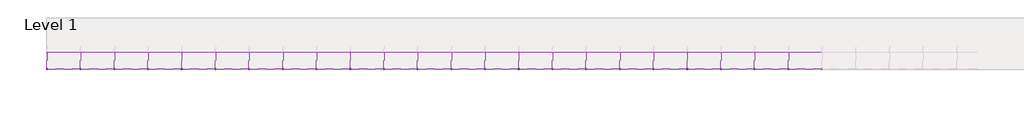
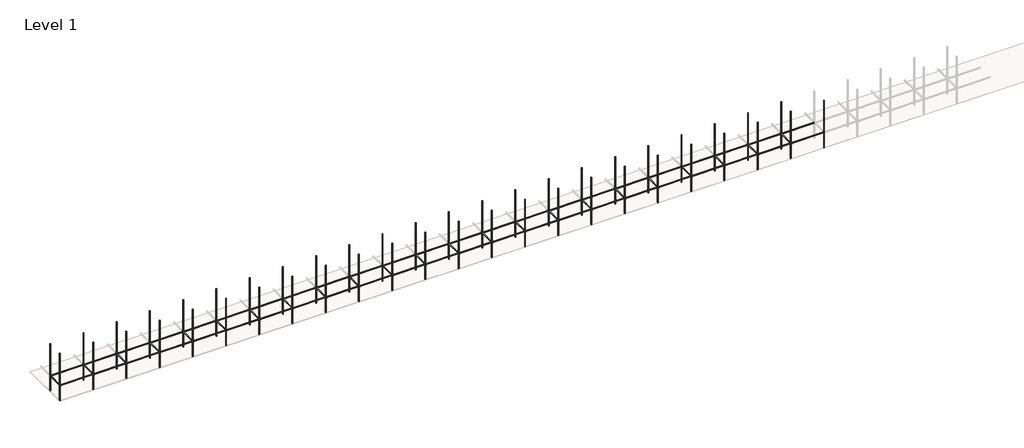
# One storey, part 1 of 3: 69 beams, 47 columns.
"""IFC4 building model written with IfcOpenShell, lengths in millimetres."""

import ifcopenshell
import ifcopenshell.guid

model = None  # the IFC model being written
_history = None  # IfcOwnerHistory: only IFC2X3 demands one
_inside = {}  # id of a spatial element -> (the spatial element, [elements in it])
_under = {}  # id of a project, library or spatial element -> (it, [spatial elements below it])
_declared = {}  # id of a project -> (the project, [libraries it declares])
_typed = {}  # id of a type object -> (the type object, [elements of that type])
_made_of = {}  # id of a material, layer set ... -> (it, [elements and type objects made of it])


def new_model(schema):
    """Start an empty IFC model of exactly this schema.

    Asked for "IFC4X3", IfcOpenShell would pick the latest addendum, in which some entities
    have other attributes; the version numbers below select the first issue.
    IFC2X3 requires an IfcOwnerHistory on every rooted entity: one is made here for all.
    """
    global model, _history
    if schema == "IFC4X3":
        model = ifcopenshell.file(schema_version=(4, 3, 0, 0))
    else:
        model = ifcopenshell.file(schema=schema)
    _inside.clear()
    _under.clear()
    _declared.clear()
    _typed.clear()
    _made_of.clear()
    _history = None
    if model.schema == "IFC2X3":
        org = make("IfcOrganization", Name="unknown")
        user = make(
            "IfcPersonAndOrganization",
            ThePerson=make("IfcPerson", FamilyName="unknown"),
            TheOrganization=org,
        )
        app = make(
            "IfcApplication",
            ApplicationDeveloper=org,
            Version="unknown",
            ApplicationFullName="unknown",
            ApplicationIdentifier="unknown",
        )
        _history = make(
            "IfcOwnerHistory",
            OwningUser=user,
            OwningApplication=app,
            ChangeAction="ADDED",
            CreationDate=0,
        )
    return model


def make(cls, **values):
    """One entity of the class cls with the attributes given. An attribute that is None is left unset."""
    return model.create_entity(
        cls, **{name: value for name, value in values.items() if value is not None}
    )


def rooted(cls, **values):
    """An entity with a GlobalId (a new one), such as an element, a storey or a relation."""
    return make(cls, GlobalId=ifcopenshell.guid.new(), OwnerHistory=_history, **values)


def si_unit(unit_type, name, prefix=None):
    """IfcSIUnit, for example si_unit("LENGTHUNIT", "METRE", prefix="MILLI")."""
    return make("IfcSIUnit", UnitType=unit_type, Prefix=prefix, Name=name)


def assignment(units):
    """IfcUnitAssignment: the units of a project."""
    return None if units is None else make("IfcUnitAssignment", Units=units)


def point(xyz):
    """IfcCartesianPoint."""
    return None if xyz is None else make("IfcCartesianPoint", Coordinates=xyz)


def direction(xyz):
    """IfcDirection."""
    return None if xyz is None else make("IfcDirection", DirectionRatios=xyz)


def frame(location, z_axis=None, x_axis=None):
    """IfcAxis2Placement3D, a coordinate frame: its origin and axes. An axis left out is left unset."""
    return make(
        "IfcAxis2Placement3D",
        Location=point(location),
        Axis=direction(z_axis),
        RefDirection=direction(x_axis),
    )


def frame_2d(location, x_axis=None):
    """IfcAxis2Placement2D, a coordinate frame in the plane: its origin and x axis."""
    return make(
        "IfcAxis2Placement2D", Location=point(location), RefDirection=direction(x_axis)
    )


def origin():
    """The frame at (0, 0, 0) with its axes left unset."""
    return frame((0.0, 0.0, 0.0))


def origin_with_axes():
    """The frame at (0, 0, 0) with the z axis (0, 0, 1) and the x axis (1, 0, 0) written out."""
    return frame((0.0, 0.0, 0.0), z_axis=(0.0, 0.0, 1.0), x_axis=(1.0, 0.0, 0.0))


def place(relative_to, where):
    """IfcLocalPlacement: puts the frame where relative to a parent placement (None: the world)."""
    return make(
        "IfcLocalPlacement", PlacementRelTo=relative_to, RelativePlacement=where
    )


def context(
    kind, dimensions, precision=None, world=None, true_north=None, identifier=None
):
    """IfcGeometricRepresentationContext, for example the 3D "Model" context."""
    return make(
        "IfcGeometricRepresentationContext",
        ContextIdentifier=identifier,
        ContextType=kind,
        CoordinateSpaceDimension=dimensions,
        Precision=precision,
        WorldCoordinateSystem=world,
        TrueNorth=true_north,
    )


def project(units=None, contexts=None):
    """IfcProject with its units and contexts."""
    return rooted(
        "IfcProject",
        Name="project",
        RepresentationContexts=contexts,
        UnitsInContext=assignment(units),
    )


def spatial(cls, under=None, at=None, **own):
    """A site, building, storey or space (cls), placed at a placement, below another one or the project."""
    s = rooted(cls, ObjectPlacement=at, **own)
    if under is not None:
        _under.setdefault(under.id(), (under, []))[1].append(s)
    return s


def polyline(points):
    """IfcPolyline through the points."""
    return make("IfcPolyline", Points=[point(p) for p in points])


def circle_curve(where, radius):
    """IfcCircle in the frame where."""
    return make("IfcCircle", Position=where, Radius=radius)


def trimmed(basis, trim1, trim2, sense, master):
    """IfcTrimmedCurve: the piece of a basis curve between two trims."""
    return make(
        "IfcTrimmedCurve",
        BasisCurve=basis,
        Trim1=trim1,
        Trim2=trim2,
        SenseAgreement=sense,
        MasterRepresentation=master,
    )


def segment(curve, same_sense, transition):
    """IfcCompositeCurveSegment."""
    return make(
        "IfcCompositeCurveSegment",
        Transition=transition,
        SameSense=same_sense,
        ParentCurve=curve,
    )


def composite_curve(segments, self_intersect=None):
    """IfcCompositeCurve: segments joined end to end."""
    return make("IfcCompositeCurve", Segments=segments, SelfIntersect=self_intersect)


def outline(outer, holes=None, kind="AREA"):
    """IfcArbitraryClosedProfileDef: a profile drawn as a closed curve; with holes, ...WithVoids."""
    if holes is None:
        return make("IfcArbitraryClosedProfileDef", ProfileType=kind, OuterCurve=outer)
    return make(
        "IfcArbitraryProfileDefWithVoids",
        ProfileType=kind,
        OuterCurve=outer,
        InnerCurves=holes,
    )


def extrude(swept, where, along, depth):
    """IfcExtrudedAreaSolid: the profile swept, set in the frame where, extruded along a direction by depth."""
    return make(
        "IfcExtrudedAreaSolid",
        SweptArea=swept,
        Position=where,
        ExtrudedDirection=direction(along),
        Depth=depth,
    )


def shape(context_of_items, identifier, shape_type, items):
    """IfcShapeRepresentation: the items that make up one representation, for example the "Body"."""
    return make(
        "IfcShapeRepresentation",
        ContextOfItems=context_of_items,
        RepresentationIdentifier=identifier,
        RepresentationType=shape_type,
        Items=items,
    )


def source(mapping_origin, context_of_items, identifier, shape_type, items):
    """IfcRepresentationMap: a shape defined once, which mapped items show again and again."""
    return make(
        "IfcRepresentationMap",
        MappingOrigin=mapping_origin,
        MappedRepresentation=shape(context_of_items, identifier, shape_type, items),
    )


def transform(
    local_origin,
    x_axis=None,
    y_axis=None,
    z_axis=None,
    scale=None,
    scale2=None,
    scale3=None,
    uniform=True,
):
    """IfcCartesianTransformationOperator3D, or its non-uniform kind. x_axis, y_axis, z_axis: its Axis1, 2, 3."""
    if uniform:
        return make(
            "IfcCartesianTransformationOperator3D",
            Axis1=direction(x_axis),
            Axis2=direction(y_axis),
            LocalOrigin=point(local_origin),
            Scale=scale,
            Axis3=direction(z_axis),
        )
    return make(
        "IfcCartesianTransformationOperator3DnonUniform",
        Axis1=direction(x_axis),
        Axis2=direction(y_axis),
        LocalOrigin=point(local_origin),
        Scale=scale,
        Axis3=direction(z_axis),
        Scale2=scale2,
        Scale3=scale3,
    )


def mapped(mapping_source, mapping_target):
    """IfcMappedItem: shows the shape of a source again, moved by a transform."""
    return make(
        "IfcMappedItem", MappingSource=mapping_source, MappingTarget=mapping_target
    )


def made_of(thing, what):
    """Note that an element or type object is made of a material, layer set ...; save() writes the relation."""
    if what is not None:
        _made_of.setdefault(what.id(), (what, []))[1].append(thing)
    return thing


def element(
    cls,
    number,
    at=None,
    inside=None,
    cuts=None,
    type_object=None,
    material=None,
    context=None,
    identifier="Body",
    shape_type=None,
    held_by="IfcProductDefinitionShape",
    body=None,
    shapes=None,
    **own,
):
    """One element of the class cls, such as IfcWall. Its Tag is "e" and its number.

    at: its placement. inside: the storey or other place that contains it. cuts: it is an
    opening in that element (IfcRelVoidsElement). A single representation is given by context,
    identifier, shape_type and body (its items); several are given by shapes. held_by: the class
    of the entity that holds the representations. save() writes the other relations.
    """
    e = rooted(cls, Tag="e%d" % number, ObjectPlacement=at, **own)
    if body is not None:
        shapes = [shape(context, identifier, shape_type, body)]
    if shapes is not None:
        e.Representation = make(held_by, Representations=shapes)
    if inside is not None:
        _inside.setdefault(inside.id(), (inside, []))[1].append(e)
    if cuts is not None:
        rooted(
            "IfcRelVoidsElement", RelatingBuildingElement=cuts, RelatedOpeningElement=e
        )
    if type_object is not None:
        _typed.setdefault(type_object.id(), (type_object, []))[1].append(e)
    return made_of(e, material)


def aggregate(whole, parts):
    """IfcRelAggregates: a whole, such as a stair, and the parts it consists of."""
    return rooted("IfcRelAggregates", RelatingObject=whole, RelatedObjects=parts)


def save(model, path):
    """Write the relations noted so far, then the file.

    IfcRelAggregates (storeys below a building ...), IfcRelContainedInSpatialStructure (elements
    in a storey), IfcRelDefinesByType, IfcRelAssociatesMaterial and IfcRelDeclares: one each for
    every whole, place, type object, material and project.
    """
    for whole, parts in _under.values():
        aggregate(whole, parts)
    for where, things in _inside.values():
        rooted(
            "IfcRelContainedInSpatialStructure",
            RelatedElements=things,
            RelatingStructure=where,
        )
    for kind, things in _typed.values():
        rooted("IfcRelDefinesByType", RelatedObjects=things, RelatingType=kind)
    for what, things in _made_of.values():
        rooted("IfcRelAssociatesMaterial", RelatedObjects=things, RelatingMaterial=what)
    for by, libraries in _declared.values():
        rooted("IfcRelDeclares", RelatingContext=by, RelatedDefinitions=libraries)
    model.write(path)


def w_wide_flange_w18x76_65f6f81b(model_context):
    return source(origin(), model_context, "Body", "SweptSolid", [
        extrude(outline(composite_curve([segment(polyline([(82.4011719, -145.5539063), (82.4011719, -155.178125), (-82.4011719, -155.178125), (-82.4011719, -145.5539063), (-20.2902344, -145.5539063)]), True, "CONTINUOUS"), segment(trimmed(circle_curve(frame_2d((-20.2902344, -128.190625)), 17.3632812), [point((-20.2902344, -145.5539063))], [point((-2.9269531, -128.190625))], True, "CARTESIAN"), True, "CONTINUOUS"), segment(polyline([(-2.9269531, -128.190625), (-2.9269531, 128.190625)]), True, "CONTINUOUS"), segment(trimmed(circle_curve(frame_2d((-20.2902344, 128.190625)), 17.3632812), [point((-2.9269531, 128.190625))], [point((-20.2902344, 145.5539062))], True, "CARTESIAN"), True, "CONTINUOUS"), segment(polyline([(-20.2902344, 145.5539062), (-82.4011719, 145.5539062), (-82.4011719, 155.178125), (82.4011719, 155.178125), (82.4011719, 145.5539062), (20.2902344, 145.5539062)]), True, "CONTINUOUS"), segment(trimmed(circle_curve(frame_2d((20.2902344, 128.190625)), 17.3632812), [point((20.2902344, 145.5539062))], [point((2.9269531, 128.190625))], True, "CARTESIAN"), True, "CONTINUOUS"), segment(polyline([(2.9269531, 128.190625), (2.9269531, -128.190625)]), True, "CONTINUOUS"), segment(trimmed(circle_curve(frame_2d((20.2902344, -128.190625)), 17.3632812), [point((2.9269531, -128.190625))], [point((20.2902344, -145.5539063))], True, "CARTESIAN"), True, "CONTINUOUS"), segment(polyline([(20.2902344, -145.5539063), (82.4011719, -145.5539063)]), True, "CONTINUOUS")], self_intersect=False)), frame((-5910.5905386, 0.0, 0.0), z_axis=(1.0, 0.0, 0.0), x_axis=(0.0, 1.0, 0.0)), (0.0, 0.0, 1.0), 11964.3921875),
    ])


def w_wide_flange_w18x76_07b850c1(model_context):
    return source(origin(), model_context, "Body", "SweptSolid", [
        extrude(outline(composite_curve([segment(polyline([(82.4011719, -145.5539063), (82.4011719, -155.178125), (-82.4011719, -155.178125), (-82.4011719, -145.5539063), (-20.2902344, -145.5539063)]), True, "CONTINUOUS"), segment(trimmed(circle_curve(frame_2d((-20.2902344, -128.190625)), 17.3632812), [point((-20.2902344, -145.5539063))], [point((-2.9269531, -128.190625))], True, "CARTESIAN"), True, "CONTINUOUS"), segment(polyline([(-2.9269531, -128.190625), (-2.9269531, 128.190625)]), True, "CONTINUOUS"), segment(trimmed(circle_curve(frame_2d((-20.2902344, 128.190625)), 17.3632812), [point((-2.9269531, 128.190625))], [point((-20.2902344, 145.5539062))], True, "CARTESIAN"), True, "CONTINUOUS"), segment(polyline([(-20.2902344, 145.5539062), (-82.4011719, 145.5539062), (-82.4011719, 155.178125), (82.4011719, 155.178125), (82.4011719, 145.5539062), (20.2902344, 145.5539062)]), True, "CONTINUOUS"), segment(trimmed(circle_curve(frame_2d((20.2902344, 128.190625)), 17.3632812), [point((20.2902344, 145.5539062))], [point((2.9269531, 128.190625))], True, "CARTESIAN"), True, "CONTINUOUS"), segment(polyline([(2.9269531, 128.190625), (2.9269531, -128.190625)]), True, "CONTINUOUS"), segment(trimmed(circle_curve(frame_2d((20.2902344, -128.190625)), 17.3632812), [point((2.9269531, -128.190625))], [point((20.2902344, -145.5539063))], True, "CARTESIAN"), True, "CONTINUOUS"), segment(polyline([(20.2902344, -145.5539063), (82.4011719, -145.5539063)]), True, "CONTINUOUS")], self_intersect=False)), frame((-2911.7230469, 0.0, 0.0), z_axis=(1.0, 0.0, 0.0), x_axis=(0.0, 1.0, 0.0)), (0.0, 0.0, 1.0), 5823.4460938),
    ])


def w_wide_flange_column_w18x76_3943b35f(model_context):
    return source(origin(), model_context, "Body", "SweptSolid", [
        extrude(outline(composite_curve([segment(polyline([(101.1039062, 123.5769531), (101.1039062, 112.5636719), (21.2328125, 112.5636719)]), True, "CONTINUOUS"), segment(trimmed(circle_curve(frame_2d((21.2328125, 95.0019531)), 17.5617188), [point((21.2328125, 112.5636719))], [point((3.6710937, 95.0019531))], True, "CARTESIAN"), True, "CONTINUOUS"), segment(polyline([(3.6710937, 95.0019531), (3.6710937, -95.0019531)]), True, "CONTINUOUS"), segment(trimmed(circle_curve(frame_2d((21.2328125, -95.0019531)), 17.5617188), [point((3.6710937, -95.0019531))], [point((21.2328125, -112.5636719))], True, "CARTESIAN"), True, "CONTINUOUS"), segment(polyline([(21.2328125, -112.5636719), (101.1039062, -112.5636719), (101.1039062, -123.5769531), (-101.1039063, -123.5769531), (-101.1039063, -112.5636719), (-21.2328125, -112.5636719)]), True, "CONTINUOUS"), segment(trimmed(circle_curve(frame_2d((-21.2328125, -95.0019531)), 17.5617188), [point((-21.2328125, -112.5636719))], [point((-3.6710938, -95.0019531))], True, "CARTESIAN"), True, "CONTINUOUS"), segment(polyline([(-3.6710938, -95.0019531), (-3.6710938, 95.0019531)]), True, "CONTINUOUS"), segment(trimmed(circle_curve(frame_2d((-21.2328125, 95.0019531)), 17.5617188), [point((-3.6710938, 95.0019531))], [point((-21.2328125, 112.5636719))], True, "CARTESIAN"), True, "CONTINUOUS"), segment(polyline([(-21.2328125, 112.5636719), (-101.1039063, 112.5636719), (-101.1039063, 123.5769531), (101.1039062, 123.5769531)]), True, "CONTINUOUS")], self_intersect=False)), origin_with_axes(), (0.0, 0.0, 1.0), 18288.0),
    ])


model = new_model("IFC4")

# Units and contexts
model_context = context("Model", 3, world=origin())
ifc_project = project(units=[si_unit("LENGTHUNIT", "METRE", prefix="MILLI")], contexts=[model_context])

# Site, building, storey
site = spatial("IfcSite", under=ifc_project)
building = spatial("IfcBuilding", under=site)
storey = spatial("IfcBuildingStorey", under=building, Name="Level 1", Elevation=0.0)

# Beams
placement = place(None, origin())
w_wide_flange_w18x76_shape = w_wide_flange_w18x76_65f6f81b(model_context)
element("IfcBeam", 1, ObjectType="W-Wide Flange : W18x76", at=placement, inside=storey, context=model_context, shape_type="MappedRepresentation", body=[
    mapped(w_wide_flange_w18x76_shape, transform((-390352.3745776, -8306.4534069, 5940.821875), x_axis=(-1.0, 0.0, 0.0), y_axis=(0.0, -1.0, 0.0), z_axis=(0.0, 0.0, 1.0))),
])
element("IfcBeam", 2, ObjectType="W-Wide Flange : W18x76", at=placement, inside=storey, context=model_context, shape_type="MappedRepresentation", body=[
    mapped(w_wide_flange_w18x76_shape, transform((-390352.3745776, -2210.4534069, 5940.821875), x_axis=(-1.0, 0.0, 0.0), y_axis=(0.0, -1.0, 0.0), z_axis=(0.0, 0.0, 1.0))),
])
element("IfcBeam", 3, ObjectType="W-Wide Flange : W18x76", at=placement, inside=storey, context=model_context, shape_type="MappedRepresentation", body=[
    mapped(w_wide_flange_w18x76_shape, transform((-378160.3745776, -8306.4534069, 5940.821875), x_axis=(-1.0, 0.0, 0.0), y_axis=(0.0, -1.0, 0.0), z_axis=(0.0, 0.0, 1.0))),
])
element("IfcBeam", 4, ObjectType="W-Wide Flange : W18x76", at=placement, inside=storey, context=model_context, shape_type="MappedRepresentation", body=[
    mapped(w_wide_flange_w18x76_shape, transform((-378160.3745776, -2210.4534069, 5940.821875), x_axis=(-1.0, 0.0, 0.0), y_axis=(0.0, -1.0, 0.0), z_axis=(0.0, 0.0, 1.0))),
])
element("IfcBeam", 5, ObjectType="W-Wide Flange : W18x76", at=placement, inside=storey, context=model_context, shape_type="MappedRepresentation", body=[
    mapped(w_wide_flange_w18x76_shape, transform((-365968.3745776, -8306.4534069, 5940.821875), x_axis=(-1.0, 0.0, 0.0), y_axis=(0.0, -1.0, 0.0), z_axis=(0.0, 0.0, 1.0))),
])
element("IfcBeam", 6, ObjectType="W-Wide Flange : W18x76", at=placement, inside=storey, context=model_context, shape_type="MappedRepresentation", body=[
    mapped(w_wide_flange_w18x76_shape, transform((-365968.3745776, -2210.4534069, 5940.821875), x_axis=(-1.0, 0.0, 0.0), y_axis=(0.0, -1.0, 0.0), z_axis=(0.0, 0.0, 1.0))),
])
element("IfcBeam", 7, ObjectType="W-Wide Flange : W18x76", at=placement, inside=storey, context=model_context, shape_type="MappedRepresentation", body=[
    mapped(w_wide_flange_w18x76_shape, transform((-353776.3745776, -8306.4534069, 5940.821875), x_axis=(-1.0, 0.0, 0.0), y_axis=(0.0, -1.0, 0.0), z_axis=(0.0, 0.0, 1.0))),
])
element("IfcBeam", 8, ObjectType="W-Wide Flange : W18x76", at=placement, inside=storey, context=model_context, shape_type="MappedRepresentation", body=[
    mapped(w_wide_flange_w18x76_shape, transform((-353776.3745776, -2210.4534069, 5940.821875), x_axis=(-1.0, 0.0, 0.0), y_axis=(0.0, -1.0, 0.0), z_axis=(0.0, 0.0, 1.0))),
])
element("IfcBeam", 9, ObjectType="W-Wide Flange : W18x76", at=placement, inside=storey, context=model_context, shape_type="MappedRepresentation", body=[
    mapped(w_wide_flange_w18x76_shape, transform((-341584.3745776, -8306.4534069, 5940.821875), x_axis=(-1.0, 0.0, 0.0), y_axis=(0.0, -1.0, 0.0), z_axis=(0.0, 0.0, 1.0))),
])
element("IfcBeam", 10, ObjectType="W-Wide Flange : W18x76", at=placement, inside=storey, context=model_context, shape_type="MappedRepresentation", body=[
    mapped(w_wide_flange_w18x76_shape, transform((-341584.3745776, -2210.4534069, 5940.821875), x_axis=(-1.0, 0.0, 0.0), y_axis=(0.0, -1.0, 0.0), z_axis=(0.0, 0.0, 1.0))),
])
element("IfcBeam", 11, ObjectType="W-Wide Flange : W18x76", at=placement, inside=storey, context=model_context, shape_type="MappedRepresentation", body=[
    mapped(w_wide_flange_w18x76_shape, transform((-329392.3745776, -8306.4534069, 5940.821875), x_axis=(-1.0, 0.0, 0.0), y_axis=(0.0, -1.0, 0.0), z_axis=(0.0, 0.0, 1.0))),
])
element("IfcBeam", 12, ObjectType="W-Wide Flange : W18x76", at=placement, inside=storey, context=model_context, shape_type="MappedRepresentation", body=[
    mapped(w_wide_flange_w18x76_shape, transform((-329392.3745776, -2210.4534069, 5940.821875), x_axis=(-1.0, 0.0, 0.0), y_axis=(0.0, -1.0, 0.0), z_axis=(0.0, 0.0, 1.0))),
])
element("IfcBeam", 13, ObjectType="W-Wide Flange : W18x76", at=placement, inside=storey, context=model_context, shape_type="MappedRepresentation", body=[
    mapped(w_wide_flange_w18x76_shape, transform((-317200.3745776, -8306.4534069, 5940.821875), x_axis=(-1.0, 0.0, 0.0), y_axis=(0.0, -1.0, 0.0), z_axis=(0.0, 0.0, 1.0))),
])
element("IfcBeam", 14, ObjectType="W-Wide Flange : W18x76", at=placement, inside=storey, context=model_context, shape_type="MappedRepresentation", body=[
    mapped(w_wide_flange_w18x76_shape, transform((-317200.3745776, -2210.4534069, 5940.821875), x_axis=(-1.0, 0.0, 0.0), y_axis=(0.0, -1.0, 0.0), z_axis=(0.0, 0.0, 1.0))),
])
element("IfcBeam", 15, ObjectType="W-Wide Flange : W18x76", at=placement, inside=storey, context=model_context, shape_type="MappedRepresentation", body=[
    mapped(w_wide_flange_w18x76_shape, transform((-305008.3745776, -8306.4534069, 5940.821875), x_axis=(-1.0, 0.0, 0.0), y_axis=(0.0, -1.0, 0.0), z_axis=(0.0, 0.0, 1.0))),
])
element("IfcBeam", 16, ObjectType="W-Wide Flange : W18x76", at=placement, inside=storey, context=model_context, shape_type="MappedRepresentation", body=[
    mapped(w_wide_flange_w18x76_shape, transform((-305008.3745776, -2210.4534069, 5940.821875), x_axis=(-1.0, 0.0, 0.0), y_axis=(0.0, -1.0, 0.0), z_axis=(0.0, 0.0, 1.0))),
])
element("IfcBeam", 17, ObjectType="W-Wide Flange : W18x76", at=placement, inside=storey, context=model_context, shape_type="MappedRepresentation", body=[
    mapped(w_wide_flange_w18x76_shape, transform((-292816.3745776, -8306.4534069, 5940.821875), x_axis=(-1.0, 0.0, 0.0), y_axis=(0.0, -1.0, 0.0), z_axis=(0.0, 0.0, 1.0))),
])
element("IfcBeam", 18, ObjectType="W-Wide Flange : W18x76", at=placement, inside=storey, context=model_context, shape_type="MappedRepresentation", body=[
    mapped(w_wide_flange_w18x76_shape, transform((-292816.3745776, -2210.4534069, 5940.821875), x_axis=(-1.0, 0.0, 0.0), y_axis=(0.0, -1.0, 0.0), z_axis=(0.0, 0.0, 1.0))),
])
element("IfcBeam", 19, ObjectType="W-Wide Flange : W18x76", at=placement, inside=storey, context=model_context, shape_type="MappedRepresentation", body=[
    mapped(w_wide_flange_w18x76_shape, transform((-280624.3745776, -8306.4534069, 5940.821875), x_axis=(-1.0, 0.0, 0.0), y_axis=(0.0, -1.0, 0.0), z_axis=(0.0, 0.0, 1.0))),
])
element("IfcBeam", 20, ObjectType="W-Wide Flange : W18x76", at=placement, inside=storey, context=model_context, shape_type="MappedRepresentation", body=[
    mapped(w_wide_flange_w18x76_shape, transform((-280624.3745776, -2210.4534069, 5940.821875), x_axis=(-1.0, 0.0, 0.0), y_axis=(0.0, -1.0, 0.0), z_axis=(0.0, 0.0, 1.0))),
])
element("IfcBeam", 21, ObjectType="W-Wide Flange : W18x76", at=placement, inside=storey, context=model_context, shape_type="MappedRepresentation", body=[
    mapped(w_wide_flange_w18x76_shape, transform((-268432.3745776, -8306.4534069, 5940.821875), x_axis=(-1.0, 0.0, 0.0), y_axis=(0.0, -1.0, 0.0), z_axis=(0.0, 0.0, 1.0))),
])
element("IfcBeam", 22, ObjectType="W-Wide Flange : W18x76", at=placement, inside=storey, context=model_context, shape_type="MappedRepresentation", body=[
    mapped(w_wide_flange_w18x76_shape, transform((-268432.3745776, -2210.4534069, 5940.821875), x_axis=(-1.0, 0.0, 0.0), y_axis=(0.0, -1.0, 0.0), z_axis=(0.0, 0.0, 1.0))),
])
element("IfcBeam", 23, ObjectType="W-Wide Flange : W18x76", at=placement, inside=storey, context=model_context, shape_type="MappedRepresentation", body=[
    mapped(w_wide_flange_w18x76_shape, transform((-256240.3745776, -8306.4534069, 5940.821875), x_axis=(-1.0, 0.0, 0.0), y_axis=(0.0, -1.0, 0.0), z_axis=(0.0, 0.0, 1.0))),
])
element("IfcBeam", 24, ObjectType="W-Wide Flange : W18x76", at=placement, inside=storey, context=model_context, shape_type="MappedRepresentation", body=[
    mapped(w_wide_flange_w18x76_shape, transform((-256240.3745776, -2210.4534069, 5940.821875), x_axis=(-1.0, 0.0, 0.0), y_axis=(0.0, -1.0, 0.0), z_axis=(0.0, 0.0, 1.0))),
])
element("IfcBeam", 25, ObjectType="W-Wide Flange : W18x76", at=placement, inside=storey, context=model_context, shape_type="MappedRepresentation", body=[
    mapped(w_wide_flange_w18x76_shape, transform((-244048.3745776, -8306.4534069, 5940.821875), x_axis=(-1.0, 0.0, 0.0), y_axis=(0.0, -1.0, 0.0), z_axis=(0.0, 0.0, 1.0))),
])
element("IfcBeam", 26, ObjectType="W-Wide Flange : W18x76", at=placement, inside=storey, context=model_context, shape_type="MappedRepresentation", body=[
    mapped(w_wide_flange_w18x76_shape, transform((-244048.3745776, -2210.4534069, 5940.821875), x_axis=(-1.0, 0.0, 0.0), y_axis=(0.0, -1.0, 0.0), z_axis=(0.0, 0.0, 1.0))),
])
element("IfcBeam", 27, ObjectType="W-Wide Flange : W18x76", at=placement, inside=storey, context=model_context, shape_type="MappedRepresentation", body=[
    mapped(w_wide_flange_w18x76_shape, transform((-231856.3745776, -8306.4534069, 5940.821875), x_axis=(-1.0, 0.0, 0.0), y_axis=(0.0, -1.0, 0.0), z_axis=(0.0, 0.0, 1.0))),
])
element("IfcBeam", 28, ObjectType="W-Wide Flange : W18x76", at=placement, inside=storey, context=model_context, shape_type="MappedRepresentation", body=[
    mapped(w_wide_flange_w18x76_shape, transform((-231856.3745776, -2210.4534069, 5940.821875), x_axis=(-1.0, 0.0, 0.0), y_axis=(0.0, -1.0, 0.0), z_axis=(0.0, 0.0, 1.0))),
])
element("IfcBeam", 29, ObjectType="W-Wide Flange : W18x76", at=placement, inside=storey, context=model_context, shape_type="MappedRepresentation", body=[
    mapped(w_wide_flange_w18x76_shape, transform((-219664.3745776, -8306.4534069, 5940.821875), x_axis=(-1.0, 0.0, 0.0), y_axis=(0.0, -1.0, 0.0), z_axis=(0.0, 0.0, 1.0))),
])
element("IfcBeam", 30, ObjectType="W-Wide Flange : W18x76", at=placement, inside=storey, context=model_context, shape_type="MappedRepresentation", body=[
    mapped(w_wide_flange_w18x76_shape, transform((-219664.3745776, -2210.4534069, 5940.821875), x_axis=(-1.0, 0.0, 0.0), y_axis=(0.0, -1.0, 0.0), z_axis=(0.0, 0.0, 1.0))),
])
element("IfcBeam", 31, ObjectType="W-Wide Flange : W18x76", at=placement, inside=storey, context=model_context, shape_type="MappedRepresentation", body=[
    mapped(w_wide_flange_w18x76_shape, transform((-207472.3745776, -8306.4534069, 5940.821875), x_axis=(-1.0, 0.0, 0.0), y_axis=(0.0, -1.0, 0.0), z_axis=(0.0, 0.0, 1.0))),
])
element("IfcBeam", 32, ObjectType="W-Wide Flange : W18x76", at=placement, inside=storey, context=model_context, shape_type="MappedRepresentation", body=[
    mapped(w_wide_flange_w18x76_shape, transform((-207472.3745776, -2210.4534069, 5940.821875), x_axis=(-1.0, 0.0, 0.0), y_axis=(0.0, -1.0, 0.0), z_axis=(0.0, 0.0, 1.0))),
])
element("IfcBeam", 33, ObjectType="W-Wide Flange : W18x76", at=placement, inside=storey, context=model_context, shape_type="MappedRepresentation", body=[
    mapped(w_wide_flange_w18x76_shape, transform((-195280.3745776, -8306.4534069, 5940.821875), x_axis=(-1.0, 0.0, 0.0), y_axis=(0.0, -1.0, 0.0), z_axis=(0.0, 0.0, 1.0))),
])
element("IfcBeam", 34, ObjectType="W-Wide Flange : W18x76", at=placement, inside=storey, context=model_context, shape_type="MappedRepresentation", body=[
    mapped(w_wide_flange_w18x76_shape, transform((-195280.3745776, -2210.4534069, 5940.821875), x_axis=(-1.0, 0.0, 0.0), y_axis=(0.0, -1.0, 0.0), z_axis=(0.0, 0.0, 1.0))),
])
element("IfcBeam", 35, ObjectType="W-Wide Flange : W18x76", at=placement, inside=storey, context=model_context, shape_type="MappedRepresentation", body=[
    mapped(w_wide_flange_w18x76_shape, transform((-183088.3745776, -8306.4534069, 5940.821875), x_axis=(-1.0, 0.0, 0.0), y_axis=(0.0, -1.0, 0.0), z_axis=(0.0, 0.0, 1.0))),
])
element("IfcBeam", 36, ObjectType="W-Wide Flange : W18x76", at=placement, inside=storey, context=model_context, shape_type="MappedRepresentation", body=[
    mapped(w_wide_flange_w18x76_shape, transform((-183088.3745776, -2210.4534069, 5940.821875), x_axis=(-1.0, 0.0, 0.0), y_axis=(0.0, -1.0, 0.0), z_axis=(0.0, 0.0, 1.0))),
])
element("IfcBeam", 37, ObjectType="W-Wide Flange : W18x76", at=placement, inside=storey, context=model_context, shape_type="MappedRepresentation", body=[
    mapped(w_wide_flange_w18x76_shape, transform((-170896.3745776, -8306.4534069, 5940.821875), x_axis=(-1.0, 0.0, 0.0), y_axis=(0.0, -1.0, 0.0), z_axis=(0.0, 0.0, 1.0))),
])
element("IfcBeam", 38, ObjectType="W-Wide Flange : W18x76", at=placement, inside=storey, context=model_context, shape_type="MappedRepresentation", body=[
    mapped(w_wide_flange_w18x76_shape, transform((-170896.3745776, -2210.4534069, 5940.821875), x_axis=(-1.0, 0.0, 0.0), y_axis=(0.0, -1.0, 0.0), z_axis=(0.0, 0.0, 1.0))),
])
element("IfcBeam", 39, ObjectType="W-Wide Flange : W18x76", at=placement, inside=storey, context=model_context, shape_type="MappedRepresentation", body=[
    mapped(w_wide_flange_w18x76_shape, transform((-158704.3745776, -8306.4534069, 5940.821875), x_axis=(-1.0, 0.0, 0.0), y_axis=(0.0, -1.0, 0.0), z_axis=(0.0, 0.0, 1.0))),
])
element("IfcBeam", 40, ObjectType="W-Wide Flange : W18x76", at=placement, inside=storey, context=model_context, shape_type="MappedRepresentation", body=[
    mapped(w_wide_flange_w18x76_shape, transform((-158704.3745776, -2210.4534069, 5940.821875), x_axis=(-1.0, 0.0, 0.0), y_axis=(0.0, -1.0, 0.0), z_axis=(0.0, 0.0, 1.0))),
])
element("IfcBeam", 41, ObjectType="W-Wide Flange : W18x76", at=placement, inside=storey, context=model_context, shape_type="MappedRepresentation", body=[
    mapped(w_wide_flange_w18x76_shape, transform((-146512.3745776, -8306.4534069, 5940.821875), x_axis=(-1.0, 0.0, 0.0), y_axis=(0.0, -1.0, 0.0), z_axis=(0.0, 0.0, 1.0))),
])
element("IfcBeam", 42, ObjectType="W-Wide Flange : W18x76", at=placement, inside=storey, context=model_context, shape_type="MappedRepresentation", body=[
    mapped(w_wide_flange_w18x76_shape, transform((-146512.3745776, -2210.4534069, 5940.821875), x_axis=(-1.0, 0.0, 0.0), y_axis=(0.0, -1.0, 0.0), z_axis=(0.0, 0.0, 1.0))),
])
element("IfcBeam", 43, ObjectType="W-Wide Flange : W18x76", at=placement, inside=storey, context=model_context, shape_type="MappedRepresentation", body=[
    mapped(w_wide_flange_w18x76_shape, transform((-134320.3745776, -8306.4534069, 5940.821875), x_axis=(-1.0, 0.0, 0.0), y_axis=(0.0, -1.0, 0.0), z_axis=(0.0, 0.0, 1.0))),
])
element("IfcBeam", 44, ObjectType="W-Wide Flange : W18x76", at=placement, inside=storey, context=model_context, shape_type="MappedRepresentation", body=[
    mapped(w_wide_flange_w18x76_shape, transform((-134320.3745776, -2210.4534069, 5940.821875), x_axis=(-1.0, 0.0, 0.0), y_axis=(0.0, -1.0, 0.0), z_axis=(0.0, 0.0, 1.0))),
])
element("IfcBeam", 45, ObjectType="W-Wide Flange : W18x76", at=placement, inside=storey, context=model_context, shape_type="MappedRepresentation", body=[
    mapped(w_wide_flange_w18x76_shape, transform((-122128.3745776, -8306.4534069, 5940.821875), x_axis=(-1.0, 0.0, 0.0), y_axis=(0.0, -1.0, 0.0), z_axis=(0.0, 0.0, 1.0))),
])
element("IfcBeam", 46, ObjectType="W-Wide Flange : W18x76", at=placement, inside=storey, context=model_context, shape_type="MappedRepresentation", body=[
    mapped(w_wide_flange_w18x76_shape, transform((-122128.3745776, -2210.4534069, 5940.821875), x_axis=(-1.0, 0.0, 0.0), y_axis=(0.0, -1.0, 0.0), z_axis=(0.0, 0.0, 1.0))),
])
w_wide_flange_w18x76_2_shape = w_wide_flange_w18x76_07b850c1(model_context)
element("IfcBeam", 47, ObjectType="W-Wide Flange : W18x76", at=placement, inside=storey, context=model_context, shape_type="MappedRepresentation", body=[
    mapped(w_wide_flange_w18x76_2_shape, transform((-128295.9801328, -5258.4534069, 5940.821875), x_axis=(0.0, -1.0, 0.0), y_axis=(1.0, 0.0, 0.0), z_axis=(0.0, 0.0, 1.0))),
])
element("IfcBeam", 48, ObjectType="W-Wide Flange : W18x76", at=placement, inside=storey, context=model_context, shape_type="MappedRepresentation", body=[
    mapped(w_wide_flange_w18x76_2_shape, transform((-140487.9801328, -5258.4534069, 5940.821875), x_axis=(0.0, -1.0, 0.0), y_axis=(1.0, 0.0, 0.0), z_axis=(0.0, 0.0, 1.0))),
])
element("IfcBeam", 49, ObjectType="W-Wide Flange : W18x76", at=placement, inside=storey, context=model_context, shape_type="MappedRepresentation", body=[
    mapped(w_wide_flange_w18x76_2_shape, transform((-152679.9801328, -5258.4534069, 5940.821875), x_axis=(0.0, -1.0, 0.0), y_axis=(1.0, 0.0, 0.0), z_axis=(0.0, 0.0, 1.0))),
])
element("IfcBeam", 50, ObjectType="W-Wide Flange : W18x76", at=placement, inside=storey, context=model_context, shape_type="MappedRepresentation", body=[
    mapped(w_wide_flange_w18x76_2_shape, transform((-164871.9801328, -5258.4534069, 5940.821875), x_axis=(0.0, -1.0, 0.0), y_axis=(1.0, 0.0, 0.0), z_axis=(0.0, 0.0, 1.0))),
])
element("IfcBeam", 51, ObjectType="W-Wide Flange : W18x76", at=placement, inside=storey, context=model_context, shape_type="MappedRepresentation", body=[
    mapped(w_wide_flange_w18x76_2_shape, transform((-177063.9801328, -5258.4534069, 5940.821875), x_axis=(0.0, -1.0, 0.0), y_axis=(1.0, 0.0, 0.0), z_axis=(0.0, 0.0, 1.0))),
])
element("IfcBeam", 52, ObjectType="W-Wide Flange : W18x76", at=placement, inside=storey, context=model_context, shape_type="MappedRepresentation", body=[
    mapped(w_wide_flange_w18x76_2_shape, transform((-189255.9801328, -5258.4534069, 5940.821875), x_axis=(0.0, -1.0, 0.0), y_axis=(1.0, 0.0, 0.0), z_axis=(0.0, 0.0, 1.0))),
])
element("IfcBeam", 53, ObjectType="W-Wide Flange : W18x76", at=placement, inside=storey, context=model_context, shape_type="MappedRepresentation", body=[
    mapped(w_wide_flange_w18x76_2_shape, transform((-201447.9801328, -5258.4534069, 5940.821875), x_axis=(0.0, -1.0, 0.0), y_axis=(1.0, 0.0, 0.0), z_axis=(0.0, 0.0, 1.0))),
])
element("IfcBeam", 54, ObjectType="W-Wide Flange : W18x76", at=placement, inside=storey, context=model_context, shape_type="MappedRepresentation", body=[
    mapped(w_wide_flange_w18x76_2_shape, transform((-213639.9801328, -5258.4534069, 5940.821875), x_axis=(0.0, -1.0, 0.0), y_axis=(1.0, 0.0, 0.0), z_axis=(0.0, 0.0, 1.0))),
])
element("IfcBeam", 55, ObjectType="W-Wide Flange : W18x76", at=placement, inside=storey, context=model_context, shape_type="MappedRepresentation", body=[
    mapped(w_wide_flange_w18x76_2_shape, transform((-225831.9801328, -5258.4534069, 5940.821875), x_axis=(0.0, -1.0, 0.0), y_axis=(1.0, 0.0, 0.0), z_axis=(0.0, 0.0, 1.0))),
])
element("IfcBeam", 56, ObjectType="W-Wide Flange : W18x76", at=placement, inside=storey, context=model_context, shape_type="MappedRepresentation", body=[
    mapped(w_wide_flange_w18x76_2_shape, transform((-238023.9801328, -5258.4534069, 5940.821875), x_axis=(0.0, -1.0, 0.0), y_axis=(1.0, 0.0, 0.0), z_axis=(0.0, 0.0, 1.0))),
])
element("IfcBeam", 57, ObjectType="W-Wide Flange : W18x76", at=placement, inside=storey, context=model_context, shape_type="MappedRepresentation", body=[
    mapped(w_wide_flange_w18x76_2_shape, transform((-250215.9801328, -5258.4534069, 5940.821875), x_axis=(0.0, -1.0, 0.0), y_axis=(1.0, 0.0, 0.0), z_axis=(0.0, 0.0, 1.0))),
])
element("IfcBeam", 58, ObjectType="W-Wide Flange : W18x76", at=placement, inside=storey, context=model_context, shape_type="MappedRepresentation", body=[
    mapped(w_wide_flange_w18x76_2_shape, transform((-262407.9801328, -5258.4534069, 5940.821875), x_axis=(0.0, -1.0, 0.0), y_axis=(1.0, 0.0, 0.0), z_axis=(0.0, 0.0, 1.0))),
])
element("IfcBeam", 59, ObjectType="W-Wide Flange : W18x76", at=placement, inside=storey, context=model_context, shape_type="MappedRepresentation", body=[
    mapped(w_wide_flange_w18x76_2_shape, transform((-274599.9801328, -5258.4534069, 5940.821875), x_axis=(0.0, -1.0, 0.0), y_axis=(1.0, 0.0, 0.0), z_axis=(0.0, 0.0, 1.0))),
])
element("IfcBeam", 60, ObjectType="W-Wide Flange : W18x76", at=placement, inside=storey, context=model_context, shape_type="MappedRepresentation", body=[
    mapped(w_wide_flange_w18x76_2_shape, transform((-286791.9801328, -5258.4534069, 5940.821875), x_axis=(0.0, -1.0, 0.0), y_axis=(1.0, 0.0, 0.0), z_axis=(0.0, 0.0, 1.0))),
])
element("IfcBeam", 61, ObjectType="W-Wide Flange : W18x76", at=placement, inside=storey, context=model_context, shape_type="MappedRepresentation", body=[
    mapped(w_wide_flange_w18x76_2_shape, transform((-298983.9801328, -5258.4534069, 5940.821875), x_axis=(0.0, -1.0, 0.0), y_axis=(1.0, 0.0, 0.0), z_axis=(0.0, 0.0, 1.0))),
])
element("IfcBeam", 62, ObjectType="W-Wide Flange : W18x76", at=placement, inside=storey, context=model_context, shape_type="MappedRepresentation", body=[
    mapped(w_wide_flange_w18x76_2_shape, transform((-311175.9801328, -5258.4534069, 5940.821875), x_axis=(0.0, -1.0, 0.0), y_axis=(1.0, 0.0, 0.0), z_axis=(0.0, 0.0, 1.0))),
])
element("IfcBeam", 63, ObjectType="W-Wide Flange : W18x76", at=placement, inside=storey, context=model_context, shape_type="MappedRepresentation", body=[
    mapped(w_wide_flange_w18x76_2_shape, transform((-323367.9801328, -5258.4534069, 5940.821875), x_axis=(0.0, -1.0, 0.0), y_axis=(1.0, 0.0, 0.0), z_axis=(0.0, 0.0, 1.0))),
])
element("IfcBeam", 64, ObjectType="W-Wide Flange : W18x76", at=placement, inside=storey, context=model_context, shape_type="MappedRepresentation", body=[
    mapped(w_wide_flange_w18x76_2_shape, transform((-335559.9801328, -5258.4534069, 5940.821875), x_axis=(0.0, -1.0, 0.0), y_axis=(1.0, 0.0, 0.0), z_axis=(0.0, 0.0, 1.0))),
])
element("IfcBeam", 65, ObjectType="W-Wide Flange : W18x76", at=placement, inside=storey, context=model_context, shape_type="MappedRepresentation", body=[
    mapped(w_wide_flange_w18x76_2_shape, transform((-347751.9801328, -5258.4534069, 5940.821875), x_axis=(0.0, -1.0, 0.0), y_axis=(1.0, 0.0, 0.0), z_axis=(0.0, 0.0, 1.0))),
])
element("IfcBeam", 66, ObjectType="W-Wide Flange : W18x76", at=placement, inside=storey, context=model_context, shape_type="MappedRepresentation", body=[
    mapped(w_wide_flange_w18x76_2_shape, transform((-359943.9801328, -5258.4534069, 5940.821875), x_axis=(0.0, -1.0, 0.0), y_axis=(1.0, 0.0, 0.0), z_axis=(0.0, 0.0, 1.0))),
])
element("IfcBeam", 67, ObjectType="W-Wide Flange : W18x76", at=placement, inside=storey, context=model_context, shape_type="MappedRepresentation", body=[
    mapped(w_wide_flange_w18x76_2_shape, transform((-372135.9801328, -5258.4534069, 5940.821875), x_axis=(0.0, -1.0, 0.0), y_axis=(1.0, 0.0, 0.0), z_axis=(0.0, 0.0, 1.0))),
])
element("IfcBeam", 68, ObjectType="W-Wide Flange : W18x76", at=placement, inside=storey, context=model_context, shape_type="MappedRepresentation", body=[
    mapped(w_wide_flange_w18x76_2_shape, transform((-384327.9801328, -5258.4534069, 5940.821875), x_axis=(0.0, -1.0, 0.0), y_axis=(1.0, 0.0, 0.0), z_axis=(0.0, 0.0, 1.0))),
])
element("IfcBeam", 69, ObjectType="W-Wide Flange : W18x76", at=placement, inside=storey, context=model_context, shape_type="MappedRepresentation", body=[
    mapped(w_wide_flange_w18x76_2_shape, transform((-396519.9801328, -5258.4534069, 5940.821875), x_axis=(0.0, -1.0, 0.0), y_axis=(1.0, 0.0, 0.0), z_axis=(0.0, 0.0, 1.0))),
])

# Columns
w_wide_flange_column_w18x76_shape = w_wide_flange_column_w18x76_3943b35f(model_context)
element("IfcColumn", 70, ObjectType="W-Wide Flange-Column : W18x76", at=placement, inside=storey, context=model_context, shape_type="MappedRepresentation", body=[
    mapped(w_wide_flange_column_w18x76_shape, transform((-396519.9801328, -2210.4534069, 0.0), x_axis=(1.0, 0.0, 0.0), y_axis=(0.0, 1.0, 0.0), z_axis=(0.0, 0.0, 1.0))),
])
element("IfcColumn", 71, ObjectType="W-Wide Flange-Column : W18x76", at=placement, inside=storey, context=model_context, shape_type="MappedRepresentation", body=[
    mapped(w_wide_flange_column_w18x76_shape, transform((-384327.9801328, -2210.4534069, 0.0), x_axis=(1.0, 0.0, 0.0), y_axis=(0.0, 1.0, 0.0), z_axis=(0.0, 0.0, 1.0))),
])
element("IfcColumn", 72, ObjectType="W-Wide Flange-Column : W18x76", at=placement, inside=storey, context=model_context, shape_type="MappedRepresentation", body=[
    mapped(w_wide_flange_column_w18x76_shape, transform((-372135.9801328, -2210.4534069, 0.0), x_axis=(1.0, 0.0, 0.0), y_axis=(0.0, 1.0, 0.0), z_axis=(0.0, 0.0, 1.0))),
])
element("IfcColumn", 73, ObjectType="W-Wide Flange-Column : W18x76", at=placement, inside=storey, context=model_context, shape_type="MappedRepresentation", body=[
    mapped(w_wide_flange_column_w18x76_shape, transform((-359943.9801328, -2210.4534069, 0.0), x_axis=(1.0, 0.0, 0.0), y_axis=(0.0, 1.0, 0.0), z_axis=(0.0, 0.0, 1.0))),
])
element("IfcColumn", 74, ObjectType="W-Wide Flange-Column : W18x76", at=placement, inside=storey, context=model_context, shape_type="MappedRepresentation", body=[
    mapped(w_wide_flange_column_w18x76_shape, transform((-347751.9801328, -2210.4534069, 0.0), x_axis=(1.0, 0.0, 0.0), y_axis=(0.0, 1.0, 0.0), z_axis=(0.0, 0.0, 1.0))),
])
element("IfcColumn", 75, ObjectType="W-Wide Flange-Column : W18x76", at=placement, inside=storey, context=model_context, shape_type="MappedRepresentation", body=[
    mapped(w_wide_flange_column_w18x76_shape, transform((-335559.9801328, -2210.4534069, 0.0), x_axis=(1.0, 0.0, 0.0), y_axis=(0.0, 1.0, 0.0), z_axis=(0.0, 0.0, 1.0))),
])
element("IfcColumn", 76, ObjectType="W-Wide Flange-Column : W18x76", at=placement, inside=storey, context=model_context, shape_type="MappedRepresentation", body=[
    mapped(w_wide_flange_column_w18x76_shape, transform((-323367.9801328, -2210.4534069, 0.0), x_axis=(1.0, 0.0, 0.0), y_axis=(0.0, 1.0, 0.0), z_axis=(0.0, 0.0, 1.0))),
])
element("IfcColumn", 77, ObjectType="W-Wide Flange-Column : W18x76", at=placement, inside=storey, context=model_context, shape_type="MappedRepresentation", body=[
    mapped(w_wide_flange_column_w18x76_shape, transform((-311175.9801328, -2210.4534069, 0.0), x_axis=(1.0, 0.0, 0.0), y_axis=(0.0, 1.0, 0.0), z_axis=(0.0, 0.0, 1.0))),
])
element("IfcColumn", 78, ObjectType="W-Wide Flange-Column : W18x76", at=placement, inside=storey, context=model_context, shape_type="MappedRepresentation", body=[
    mapped(w_wide_flange_column_w18x76_shape, transform((-298983.9801328, -2210.4534069, 0.0), x_axis=(1.0, 0.0, 0.0), y_axis=(0.0, 1.0, 0.0), z_axis=(0.0, 0.0, 1.0))),
])
element("IfcColumn", 79, ObjectType="W-Wide Flange-Column : W18x76", at=placement, inside=storey, context=model_context, shape_type="MappedRepresentation", body=[
    mapped(w_wide_flange_column_w18x76_shape, transform((-286791.9801328, -2210.4534069, 0.0), x_axis=(1.0, 0.0, 0.0), y_axis=(0.0, 1.0, 0.0), z_axis=(0.0, 0.0, 1.0))),
])
element("IfcColumn", 80, ObjectType="W-Wide Flange-Column : W18x76", at=placement, inside=storey, context=model_context, shape_type="MappedRepresentation", body=[
    mapped(w_wide_flange_column_w18x76_shape, transform((-274599.9801328, -2210.4534069, 0.0), x_axis=(1.0, 0.0, 0.0), y_axis=(0.0, 1.0, 0.0), z_axis=(0.0, 0.0, 1.0))),
])
element("IfcColumn", 81, ObjectType="W-Wide Flange-Column : W18x76", at=placement, inside=storey, context=model_context, shape_type="MappedRepresentation", body=[
    mapped(w_wide_flange_column_w18x76_shape, transform((-262407.9801328, -2210.4534069, 0.0), x_axis=(1.0, 0.0, 0.0), y_axis=(0.0, 1.0, 0.0), z_axis=(0.0, 0.0, 1.0))),
])
element("IfcColumn", 82, ObjectType="W-Wide Flange-Column : W18x76", at=placement, inside=storey, context=model_context, shape_type="MappedRepresentation", body=[
    mapped(w_wide_flange_column_w18x76_shape, transform((-250215.9801328, -2210.4534069, 0.0), x_axis=(1.0, 0.0, 0.0), y_axis=(0.0, 1.0, 0.0), z_axis=(0.0, 0.0, 1.0))),
])
element("IfcColumn", 83, ObjectType="W-Wide Flange-Column : W18x76", at=placement, inside=storey, context=model_context, shape_type="MappedRepresentation", body=[
    mapped(w_wide_flange_column_w18x76_shape, transform((-238023.9801328, -2210.4534069, 0.0), x_axis=(1.0, 0.0, 0.0), y_axis=(0.0, 1.0, 0.0), z_axis=(0.0, 0.0, 1.0))),
])
element("IfcColumn", 84, ObjectType="W-Wide Flange-Column : W18x76", at=placement, inside=storey, context=model_context, shape_type="MappedRepresentation", body=[
    mapped(w_wide_flange_column_w18x76_shape, transform((-225831.9801328, -2210.4534069, 0.0), x_axis=(1.0, 0.0, 0.0), y_axis=(0.0, 1.0, 0.0), z_axis=(0.0, 0.0, 1.0))),
])
element("IfcColumn", 85, ObjectType="W-Wide Flange-Column : W18x76", at=placement, inside=storey, context=model_context, shape_type="MappedRepresentation", body=[
    mapped(w_wide_flange_column_w18x76_shape, transform((-213639.9801328, -2210.4534069, 0.0), x_axis=(1.0, 0.0, 0.0), y_axis=(0.0, 1.0, 0.0), z_axis=(0.0, 0.0, 1.0))),
])
element("IfcColumn", 86, ObjectType="W-Wide Flange-Column : W18x76", at=placement, inside=storey, context=model_context, shape_type="MappedRepresentation", body=[
    mapped(w_wide_flange_column_w18x76_shape, transform((-201447.9801328, -2210.4534069, 0.0), x_axis=(1.0, 0.0, 0.0), y_axis=(0.0, 1.0, 0.0), z_axis=(0.0, 0.0, 1.0))),
])
element("IfcColumn", 87, ObjectType="W-Wide Flange-Column : W18x76", at=placement, inside=storey, context=model_context, shape_type="MappedRepresentation", body=[
    mapped(w_wide_flange_column_w18x76_shape, transform((-189255.9801328, -2210.4534069, 0.0), x_axis=(1.0, 0.0, 0.0), y_axis=(0.0, 1.0, 0.0), z_axis=(0.0, 0.0, 1.0))),
])
element("IfcColumn", 88, ObjectType="W-Wide Flange-Column : W18x76", at=placement, inside=storey, context=model_context, shape_type="MappedRepresentation", body=[
    mapped(w_wide_flange_column_w18x76_shape, transform((-177063.9801328, -2210.4534069, 0.0), x_axis=(1.0, 0.0, 0.0), y_axis=(0.0, 1.0, 0.0), z_axis=(0.0, 0.0, 1.0))),
])
element("IfcColumn", 89, ObjectType="W-Wide Flange-Column : W18x76", at=placement, inside=storey, context=model_context, shape_type="MappedRepresentation", body=[
    mapped(w_wide_flange_column_w18x76_shape, transform((-164871.9801328, -2210.4534069, 0.0), x_axis=(1.0, 0.0, 0.0), y_axis=(0.0, 1.0, 0.0), z_axis=(0.0, 0.0, 1.0))),
])
element("IfcColumn", 90, ObjectType="W-Wide Flange-Column : W18x76", at=placement, inside=storey, context=model_context, shape_type="MappedRepresentation", body=[
    mapped(w_wide_flange_column_w18x76_shape, transform((-152679.9801328, -2210.4534069, 0.0), x_axis=(1.0, 0.0, 0.0), y_axis=(0.0, 1.0, 0.0), z_axis=(0.0, 0.0, 1.0))),
])
element("IfcColumn", 91, ObjectType="W-Wide Flange-Column : W18x76", at=placement, inside=storey, context=model_context, shape_type="MappedRepresentation", body=[
    mapped(w_wide_flange_column_w18x76_shape, transform((-140487.9801328, -2210.4534069, 0.0), x_axis=(1.0, 0.0, 0.0), y_axis=(0.0, 1.0, 0.0), z_axis=(0.0, 0.0, 1.0))),
])
element("IfcColumn", 92, ObjectType="W-Wide Flange-Column : W18x76", at=placement, inside=storey, context=model_context, shape_type="MappedRepresentation", body=[
    mapped(w_wide_flange_column_w18x76_shape, transform((-128295.9801328, -2210.4534069, 0.0), x_axis=(1.0, 0.0, 0.0), y_axis=(0.0, 1.0, 0.0), z_axis=(0.0, 0.0, 1.0))),
])
element("IfcColumn", 93, ObjectType="W-Wide Flange-Column : W18x76", at=placement, inside=storey, context=model_context, shape_type="MappedRepresentation", body=[
    mapped(w_wide_flange_column_w18x76_shape, transform((-396519.9801328, -8306.4534069, 0.0), x_axis=(1.0, 0.0, 0.0), y_axis=(0.0, 1.0, 0.0), z_axis=(0.0, 0.0, 1.0))),
])
element("IfcColumn", 94, ObjectType="W-Wide Flange-Column : W18x76", at=placement, inside=storey, context=model_context, shape_type="MappedRepresentation", body=[
    mapped(w_wide_flange_column_w18x76_shape, transform((-384327.9801328, -8306.4534069, 0.0), x_axis=(1.0, 0.0, 0.0), y_axis=(0.0, 1.0, 0.0), z_axis=(0.0, 0.0, 1.0))),
])
element("IfcColumn", 95, ObjectType="W-Wide Flange-Column : W18x76", at=placement, inside=storey, context=model_context, shape_type="MappedRepresentation", body=[
    mapped(w_wide_flange_column_w18x76_shape, transform((-372135.9801328, -8306.4534069, 0.0), x_axis=(1.0, 0.0, 0.0), y_axis=(0.0, 1.0, 0.0), z_axis=(0.0, 0.0, 1.0))),
])
element("IfcColumn", 96, ObjectType="W-Wide Flange-Column : W18x76", at=placement, inside=storey, context=model_context, shape_type="MappedRepresentation", body=[
    mapped(w_wide_flange_column_w18x76_shape, transform((-359943.9801328, -8306.4534069, 0.0), x_axis=(1.0, 0.0, 0.0), y_axis=(0.0, 1.0, 0.0), z_axis=(0.0, 0.0, 1.0))),
])
element("IfcColumn", 97, ObjectType="W-Wide Flange-Column : W18x76", at=placement, inside=storey, context=model_context, shape_type="MappedRepresentation", body=[
    mapped(w_wide_flange_column_w18x76_shape, transform((-347751.9801328, -8306.4534069, 0.0), x_axis=(1.0, 0.0, 0.0), y_axis=(0.0, 1.0, 0.0), z_axis=(0.0, 0.0, 1.0))),
])
element("IfcColumn", 98, ObjectType="W-Wide Flange-Column : W18x76", at=placement, inside=storey, context=model_context, shape_type="MappedRepresentation", body=[
    mapped(w_wide_flange_column_w18x76_shape, transform((-335559.9801328, -8306.4534069, 0.0), x_axis=(1.0, 0.0, 0.0), y_axis=(0.0, 1.0, 0.0), z_axis=(0.0, 0.0, 1.0))),
])
element("IfcColumn", 99, ObjectType="W-Wide Flange-Column : W18x76", at=placement, inside=storey, context=model_context, shape_type="MappedRepresentation", body=[
    mapped(w_wide_flange_column_w18x76_shape, transform((-323367.9801328, -8306.4534069, 0.0), x_axis=(1.0, 0.0, 0.0), y_axis=(0.0, 1.0, 0.0), z_axis=(0.0, 0.0, 1.0))),
])
element("IfcColumn", 100, ObjectType="W-Wide Flange-Column : W18x76", at=placement, inside=storey, context=model_context, shape_type="MappedRepresentation", body=[
    mapped(w_wide_flange_column_w18x76_shape, transform((-311175.9801328, -8306.4534069, 0.0), x_axis=(1.0, 0.0, 0.0), y_axis=(0.0, 1.0, 0.0), z_axis=(0.0, 0.0, 1.0))),
])
element("IfcColumn", 101, ObjectType="W-Wide Flange-Column : W18x76", at=placement, inside=storey, context=model_context, shape_type="MappedRepresentation", body=[
    mapped(w_wide_flange_column_w18x76_shape, transform((-298983.9801328, -8306.4534069, 0.0), x_axis=(1.0, 0.0, 0.0), y_axis=(0.0, 1.0, 0.0), z_axis=(0.0, 0.0, 1.0))),
])
element("IfcColumn", 102, ObjectType="W-Wide Flange-Column : W18x76", at=placement, inside=storey, context=model_context, shape_type="MappedRepresentation", body=[
    mapped(w_wide_flange_column_w18x76_shape, transform((-286791.9801328, -8306.4534069, 0.0), x_axis=(1.0, 0.0, 0.0), y_axis=(0.0, 1.0, 0.0), z_axis=(0.0, 0.0, 1.0))),
])
element("IfcColumn", 103, ObjectType="W-Wide Flange-Column : W18x76", at=placement, inside=storey, context=model_context, shape_type="MappedRepresentation", body=[
    mapped(w_wide_flange_column_w18x76_shape, transform((-274599.9801328, -8306.4534069, 0.0), x_axis=(1.0, 0.0, 0.0), y_axis=(0.0, 1.0, 0.0), z_axis=(0.0, 0.0, 1.0))),
])
element("IfcColumn", 104, ObjectType="W-Wide Flange-Column : W18x76", at=placement, inside=storey, context=model_context, shape_type="MappedRepresentation", body=[
    mapped(w_wide_flange_column_w18x76_shape, transform((-262407.9801328, -8306.4534069, 0.0), x_axis=(1.0, 0.0, 0.0), y_axis=(0.0, 1.0, 0.0), z_axis=(0.0, 0.0, 1.0))),
])
element("IfcColumn", 105, ObjectType="W-Wide Flange-Column : W18x76", at=placement, inside=storey, context=model_context, shape_type="MappedRepresentation", body=[
    mapped(w_wide_flange_column_w18x76_shape, transform((-250215.9801328, -8306.4534069, 0.0), x_axis=(1.0, 0.0, 0.0), y_axis=(0.0, 1.0, 0.0), z_axis=(0.0, 0.0, 1.0))),
])
element("IfcColumn", 106, ObjectType="W-Wide Flange-Column : W18x76", at=placement, inside=storey, context=model_context, shape_type="MappedRepresentation", body=[
    mapped(w_wide_flange_column_w18x76_shape, transform((-238023.9801328, -8306.4534069, 0.0), x_axis=(1.0, 0.0, 0.0), y_axis=(0.0, 1.0, 0.0), z_axis=(0.0, 0.0, 1.0))),
])
element("IfcColumn", 107, ObjectType="W-Wide Flange-Column : W18x76", at=placement, inside=storey, context=model_context, shape_type="MappedRepresentation", body=[
    mapped(w_wide_flange_column_w18x76_shape, transform((-225831.9801328, -8306.4534069, 0.0), x_axis=(1.0, 0.0, 0.0), y_axis=(0.0, 1.0, 0.0), z_axis=(0.0, 0.0, 1.0))),
])
element("IfcColumn", 108, ObjectType="W-Wide Flange-Column : W18x76", at=placement, inside=storey, context=model_context, shape_type="MappedRepresentation", body=[
    mapped(w_wide_flange_column_w18x76_shape, transform((-213639.9801328, -8306.4534069, 0.0), x_axis=(1.0, 0.0, 0.0), y_axis=(0.0, 1.0, 0.0), z_axis=(0.0, 0.0, 1.0))),
])
element("IfcColumn", 109, ObjectType="W-Wide Flange-Column : W18x76", at=placement, inside=storey, context=model_context, shape_type="MappedRepresentation", body=[
    mapped(w_wide_flange_column_w18x76_shape, transform((-201447.9801328, -8306.4534069, 0.0), x_axis=(1.0, 0.0, 0.0), y_axis=(0.0, 1.0, 0.0), z_axis=(0.0, 0.0, 1.0))),
])
element("IfcColumn", 110, ObjectType="W-Wide Flange-Column : W18x76", at=placement, inside=storey, context=model_context, shape_type="MappedRepresentation", body=[
    mapped(w_wide_flange_column_w18x76_shape, transform((-189255.9801328, -8306.4534069, 0.0), x_axis=(1.0, 0.0, 0.0), y_axis=(0.0, 1.0, 0.0), z_axis=(0.0, 0.0, 1.0))),
])
element("IfcColumn", 111, ObjectType="W-Wide Flange-Column : W18x76", at=placement, inside=storey, context=model_context, shape_type="MappedRepresentation", body=[
    mapped(w_wide_flange_column_w18x76_shape, transform((-177063.9801328, -8306.4534069, 0.0), x_axis=(1.0, 0.0, 0.0), y_axis=(0.0, 1.0, 0.0), z_axis=(0.0, 0.0, 1.0))),
])
element("IfcColumn", 112, ObjectType="W-Wide Flange-Column : W18x76", at=placement, inside=storey, context=model_context, shape_type="MappedRepresentation", body=[
    mapped(w_wide_flange_column_w18x76_shape, transform((-164871.9801328, -8306.4534069, 0.0), x_axis=(1.0, 0.0, 0.0), y_axis=(0.0, 1.0, 0.0), z_axis=(0.0, 0.0, 1.0))),
])
element("IfcColumn", 113, ObjectType="W-Wide Flange-Column : W18x76", at=placement, inside=storey, context=model_context, shape_type="MappedRepresentation", body=[
    mapped(w_wide_flange_column_w18x76_shape, transform((-152679.9801328, -8306.4534069, 0.0), x_axis=(1.0, 0.0, 0.0), y_axis=(0.0, 1.0, 0.0), z_axis=(0.0, 0.0, 1.0))),
])
element("IfcColumn", 114, ObjectType="W-Wide Flange-Column : W18x76", at=placement, inside=storey, context=model_context, shape_type="MappedRepresentation", body=[
    mapped(w_wide_flange_column_w18x76_shape, transform((-140487.9801328, -8306.4534069, 0.0), x_axis=(1.0, 0.0, 0.0), y_axis=(0.0, 1.0, 0.0), z_axis=(0.0, 0.0, 1.0))),
])
element("IfcColumn", 115, ObjectType="W-Wide Flange-Column : W18x76", at=placement, inside=storey, context=model_context, shape_type="MappedRepresentation", body=[
    mapped(w_wide_flange_column_w18x76_shape, transform((-128295.9801328, -8306.4534069, 0.0), x_axis=(1.0, 0.0, 0.0), y_axis=(0.0, 1.0, 0.0), z_axis=(0.0, 0.0, 1.0))),
])
element("IfcColumn", 116, ObjectType="W-Wide Flange-Column : W18x76", at=placement, inside=storey, context=model_context, shape_type="MappedRepresentation", body=[
    mapped(w_wide_flange_column_w18x76_shape, transform((-116103.9801328, -8306.4534069, 0.0), x_axis=(1.0, 0.0, 0.0), y_axis=(0.0, 1.0, 0.0), z_axis=(0.0, 0.0, 1.0))),
])

save(model, "model.ifc")
